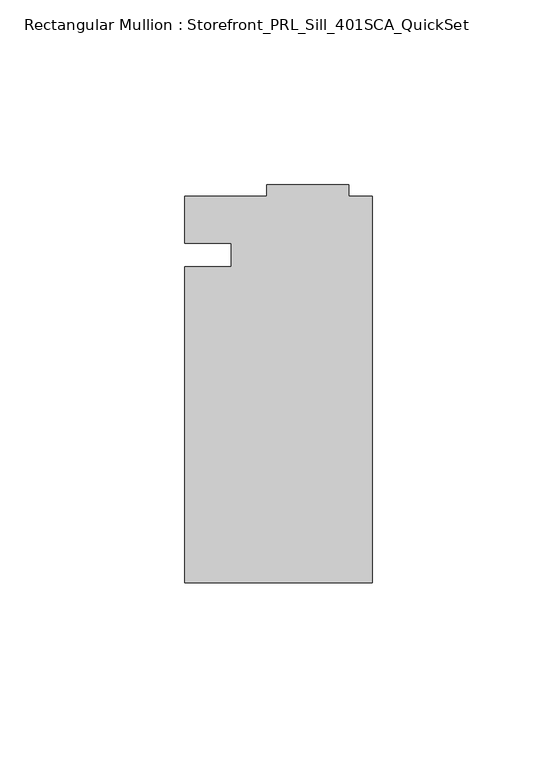
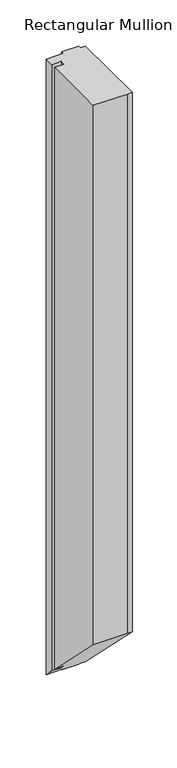
"""IFC4 building model written with IfcOpenShell, lengths in millimetres: member geometry, Rectangular Mullion : Storefront_PRL_Sill_401SCA_QuickSet."""

from ifc_helpers import new_model, si_unit, origin, place, context, project, spatial, faceted_brep, source, transform, mapped, element, save


def rectangular_mullion_storefront_prl_sill_401sca_quickset_692481bd(model_context):
    return source(origin(), model_context, "Body", "Brep", [
        faceted_brep([(-38.1, -3.175, 0.0), (-50.8, -3.175, 0.0), (-50.8, -88.9, 0.0), (-6.35, -88.9, 0.0), (0.0, -88.9, 0.0), (0.0, 15.875, 0.0), (-6.35, 15.875, 0.0), (-6.35, 19.05, 0.0), (-28.575, 19.05, 0.0), (-28.575, 15.875, 0.0), (-50.8, 15.875, 0.0), (-50.8, 3.175, 0.0), (-38.1, 3.175, 0.0), (-38.1, -3.175, -823.3833333), (-50.8, -3.175, -823.3833333), (-50.8, -88.9, -737.6583333), (-6.35, -88.9, -737.6583333), (0.0, -88.9, -737.6583333), (0.0, 15.875, -842.4333333), (-6.35, 15.875, -842.4333333), (-6.35, 19.05, -845.6083333), (-28.575, 19.05, -845.6083333), (-28.575, 15.875, -842.4333333), (-50.8, 15.875, -842.4333333), (-50.8, 3.175, -829.7333333), (-38.1, 3.175, -829.7333333)], [[[0, 1, 2, 3, 4, 5, 6, 7, 8, 9, 10, 11, 12]], [[1, 0, 13, 14]], [[2, 1, 14, 15]], [[3, 2, 15, 16]], [[4, 3, 16, 17]], [[5, 4, 17, 18]], [[6, 5, 18, 19]], [[7, 6, 19, 20]], [[8, 7, 20, 21]], [[9, 8, 21, 22]], [[10, 9, 22, 23]], [[11, 10, 23, 24]], [[12, 11, 24, 25]], [[0, 12, 25, 13]], [[13, 25, 24, 23, 22, 21, 20, 19, 18, 17, 16, 15, 14]]]),
    ])


if __name__ == "__main__":
    model = new_model("IFC4")
    model_context = context("Model", 3, world=origin())
    ifc_project = project(units=[si_unit("LENGTHUNIT", "METRE", prefix="MILLI")], contexts=[model_context])
    site = spatial("IfcSite", under=ifc_project)
    building = spatial("IfcBuilding", under=site)
    placement = place(None, origin())
    rectangular_mullion_storefront_prl_sill_401sca_quickset_shape = rectangular_mullion_storefront_prl_sill_401sca_quickset_692481bd(model_context)
    element("IfcMember", 1, ObjectType="Rectangular Mullion : Storefront_PRL_Sill_401SCA_QuickSet", at=placement, inside=building, context=model_context, shape_type="MappedRepresentation", body=[
        mapped(rectangular_mullion_storefront_prl_sill_401sca_quickset_shape, transform((0.0, 0.0, 0.0), x_axis=(1.0, 0.0, 0.0), y_axis=(0.0, 1.0, 0.0), z_axis=(0.0, 0.0, 1.0))),
    ])
    save(model, "model.ifc")
